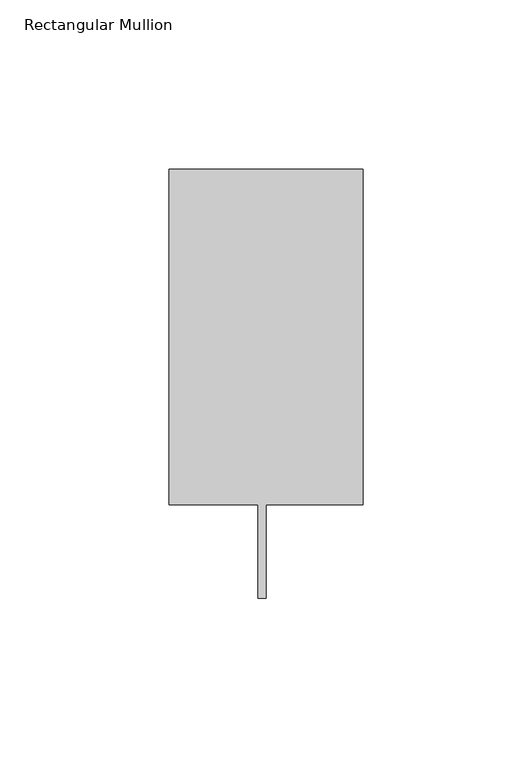
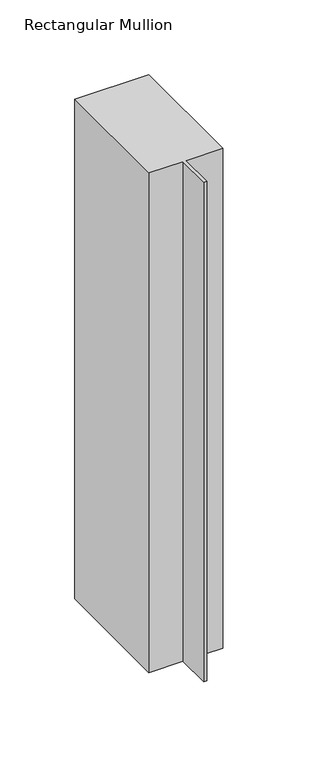
"""IFC4 building model written with IfcOpenShell, lengths in millimetres: member geometry, Rectangular Mullion."""

from ifc_helpers import new_model, si_unit, frame, origin, place, context, project, spatial, polyline, outline, extrude, source, transform, mapped, element, save


def rectangular_mullion_5ade4ad9(model_context):
    return source(origin(), model_context, "Body", "SweptSolid", [
        extrude(outline(polyline([(0.0, 138.3252808), (0.0, 39.3898437), (-28.575, 39.3898437), (-28.575, 11.7038437), (-30.9626, 11.7038437), (-30.9626, 39.3898437), (-57.15, 39.3898438), (-57.15, 138.3252808), (0.0, 138.3252808)])), frame((0.0, 0.0, -407.4159953), z_axis=(0.0, 0.0, 1.0), x_axis=(1.0, 0.0, 0.0)), (0.0, 0.0, 1.0), 407.4159953),
    ])


if __name__ == "__main__":
    model = new_model("IFC4")
    model_context = context("Model", 3, world=origin())
    ifc_project = project(units=[si_unit("LENGTHUNIT", "METRE", prefix="MILLI")], contexts=[model_context])
    site = spatial("IfcSite", under=ifc_project)
    building = spatial("IfcBuilding", under=site)
    placement = place(None, origin())
    rectangular_mullion_shape = rectangular_mullion_5ade4ad9(model_context)
    element("IfcMember", 1, ObjectType="Rectangular Mullion", at=placement, inside=building, context=model_context, shape_type="MappedRepresentation", body=[
        mapped(rectangular_mullion_shape, transform((0.0, 0.0, 0.0), x_axis=(1.0, 0.0, 0.0), y_axis=(0.0, 1.0, 0.0), z_axis=(0.0, 0.0, 1.0))),
    ])
    save(model, "model.ifc")
